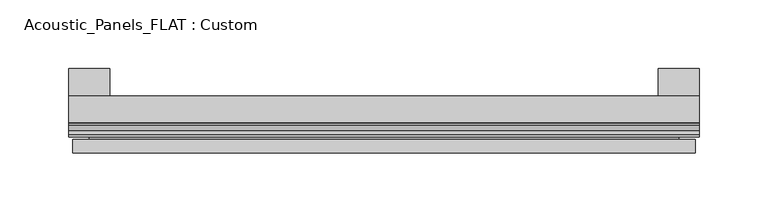
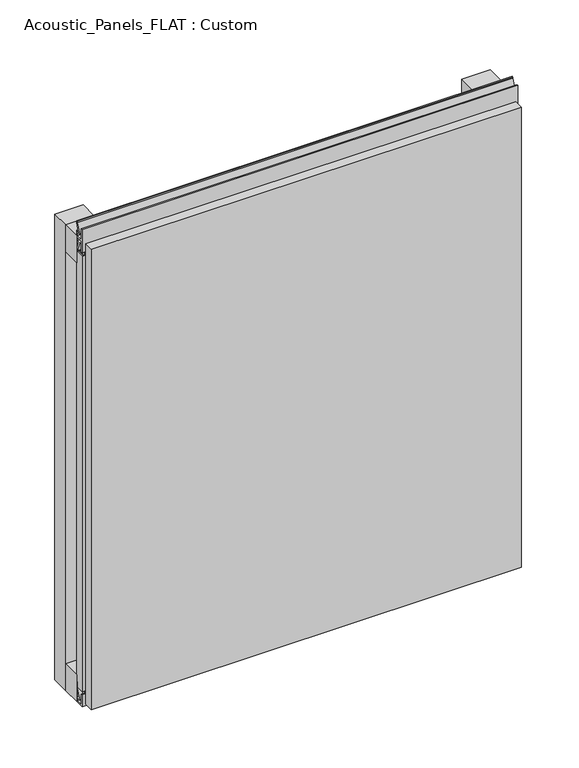
"""IFC4 building model written with IfcOpenShell, lengths in millimetres: plate geometry, Acoustic_Panels_FLAT : Custom."""

from ifc_helpers import new_model, si_unit, frame, origin, origin_with_axes, place, context, project, spatial, polyline, outline, extrude, faceted_brep, source, transform, mapped, element, save


def acoustic_panels_flat_custom_179ddc69(model_context):
    return source(origin(), model_context, "Body", "SolidModel", [
        extrude(outline(polyline([(-230.0, -40.0), (-230.0, -20.0), (230.0, -20.0), (230.0, -40.0), (-230.0, -40.0)])), frame((0.0, 0.0, 490.0), z_axis=(0.0, 0.0, 1.0), x_axis=(1.0, 0.0, 0.0)), (0.0, 0.0, 1.0), 30.0),
        extrude(outline(polyline([(-230.0, -40.0), (-230.0, -20.0), (230.0, -20.0), (230.0, -40.0), (-230.0, -40.0)])), origin_with_axes(), (0.0, 0.0, 1.0), 30.0),
        extrude(outline(polyline([(200.0, 0.0), (230.0, 0.0), (230.0, -20.0), (200.0, -20.0), (200.0, 0.0)])), origin_with_axes(), (0.0, 0.0, 1.0), 520.0),
        extrude(outline(polyline([(-200.0, 0.0), (-200.0, -20.0), (-230.0, -20.0), (-230.0, 0.0), (-200.0, 0.0)])), origin_with_axes(), (0.0, 0.0, 1.0), 520.0),
        extrude(outline(polyline([(-40.0, 6.299084), (-40.0, 0.0), (-50.1, 0.0), (-50.1, 13.4156807), (-48.7, 13.4156807), (-48.7, 1.4156807), (-41.4, 1.4156807), (-41.4, 4.899084), (-45.5140545, 4.899084), (-41.4553267, 15.5703394), (-41.4553267, 22.991548), (-40.0553267, 22.991548), (-40.0553267, 15.3558599), (-43.5, 6.299084), (-40.0, 6.299084)])), frame((-230.0, 0.0, 0.0), z_axis=(1.0, 0.0, 0.0), x_axis=(0.0, 1.0, 0.0)), (0.0, 0.0, 1.0), 460.0),
        extrude(outline(polyline([(-223.700916, -40.0), (-223.700916, -43.5), (-214.6441401, -40.0553267), (-207.008452, -40.0553267), (-207.008452, -41.4553267), (-214.4296606, -41.4553267), (-225.100916, -45.5140545), (-225.100916, -41.4), (-228.5843193, -41.4), (-228.5843193, -48.7), (-216.5843193, -48.7), (-216.5843193, -50.1), (-230.0, -50.1), (-230.0, -40.0), (-223.700916, -40.0)])), frame((0.0, 0.0, 16.9558599), z_axis=(0.0, 0.0, 1.0), x_axis=(1.0, 0.0, 0.0)), (0.0, 0.0, 1.0), 486.0882802),
        extrude(outline(polyline([(-48.7, 520.899084), (-41.4, 520.899084), (-41.4, 524.899084), (-45.5140545, 524.899084), (-41.4553267, 535.5703394), (-41.4553267, 536.9558599), (-40.0553267, 536.9558599), (-40.0553267, 535.3558599), (-43.5, 526.299084), (-40.0, 526.299084), (-40.0, 513.700916), (-43.5, 513.700916), (-40.0553267, 504.6441401), (-40.0553267, 503.0441401), (-41.4553267, 503.0441401), (-41.4553267, 504.4296606), (-45.5140545, 515.100916), (-41.4, 515.100916), (-41.4, 519.100916), (-48.7, 519.100916), (-48.7, 507.100916), (-50.1, 507.100916), (-50.1, 532.899084), (-48.7, 532.899084), (-48.7, 520.899084)])), frame((-230.0, 0.0, 0.0), z_axis=(1.0, 0.0, 0.0), x_axis=(0.0, 1.0, 0.0)), (0.0, 0.0, 1.0), 460.0),
        faceted_brep([(227.0, -45.9, 517.0), (-227.0, -45.9, 517.0), (-227.0, -48.7, 517.0), (227.0, -48.7, 517.0), (-227.0, -61.9, 517.0), (227.0, -61.9, 517.0), (227.0, -51.9, 517.0), (-227.0, -51.9, 517.0), (-227.0, -45.9, 3.0), (227.0, -45.9, 3.0), (227.0, -48.7, 3.0), (-227.0, -48.7, 3.0), (227.0, -61.9, 3.0), (-227.0, -61.9, 3.0), (-227.0, -51.9, 3.0), (227.0, -51.9, 3.0), (215.0, -51.9, 505.0), (215.0, -51.9, 15.0), (215.0, -48.7, 15.0), (215.0, -48.7, 505.0), (-215.0, -51.9, 15.0), (-215.0, -48.7, 15.0), (-215.0, -51.9, 505.0), (-215.0, -48.7, 505.0)], [[[0, 1, 2, 3]], [[4, 5, 6, 7]], [[8, 9, 10, 11]], [[12, 13, 14, 15]], [[1, 0, 9, 8]], [[1, 8, 11, 2]], [[13, 4, 7, 14]], [[5, 4, 13, 12]], [[9, 0, 3, 10]], [[5, 12, 15, 6]], [[16, 17, 18, 19]], [[18, 17, 20, 21]], [[21, 20, 22, 23]], [[16, 19, 23, 22]], [[7, 6, 15, 14], [17, 16, 22, 20]], [[3, 2, 11, 10], [19, 18, 21, 23]]]),
    ])


if __name__ == "__main__":
    model = new_model("IFC4")
    model_context = context("Model", 3, world=origin())
    ifc_project = project(units=[si_unit("LENGTHUNIT", "METRE", prefix="MILLI")], contexts=[model_context])
    site = spatial("IfcSite", under=ifc_project)
    building = spatial("IfcBuilding", under=site)
    placement = place(None, origin())
    acoustic_panels_flat_custom_shape = acoustic_panels_flat_custom_179ddc69(model_context)
    element("IfcPlate", 1, ObjectType="Acoustic_Panels_FLAT : Custom", at=placement, inside=building, context=model_context, shape_type="MappedRepresentation", body=[
        mapped(acoustic_panels_flat_custom_shape, transform((0.0, 0.0, 0.0), x_axis=(1.0, 0.0, 0.0), y_axis=(0.0, 1.0, 0.0), z_axis=(0.0, 0.0, 1.0))),
    ])
    save(model, "model.ifc")
